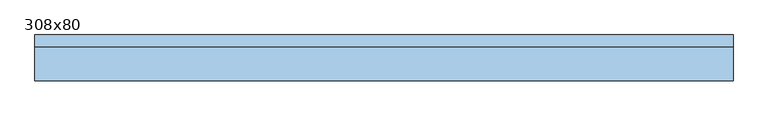
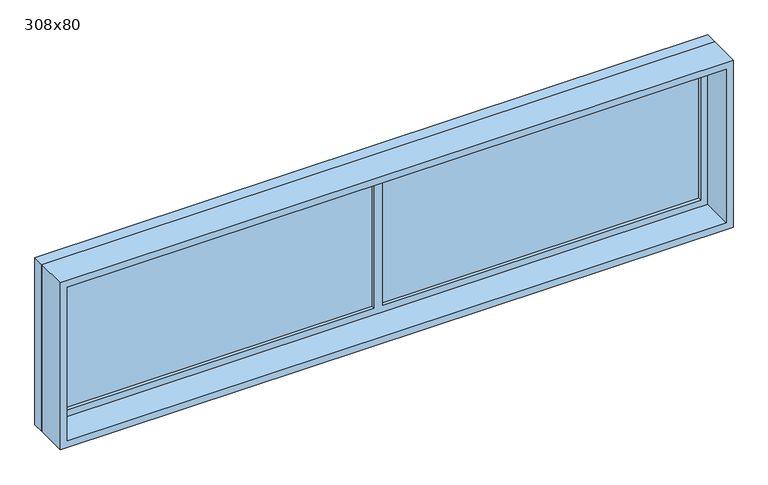
"""IFC4 building model written with IfcOpenShell, lengths in millimetres: window geometry, 308x80."""

from ifc_helpers import new_model, si_unit, frame, origin, place, context, project, spatial, polyline, outline, extrude, faceted_brep, source, transform, mapped, element, save


def window_308x80_d0d04b63(model_context):
    return source(origin(), model_context, "Body", "SolidModel", [
        extrude(outline(polyline([(1423.4, 61.425), (-1499.6, 61.425), (-1499.6, 74.125), (1423.4, 74.125), (1423.4, 61.425)])), frame((0.0, 0.0, 977.9), z_axis=(0.0, 0.0, 1.0), x_axis=(1.0, 0.0, 0.0)), (0.0, 0.0, 1.0), 677.45),
        extrude(outline(polyline([(1714.4, -1563.1), (914.4, -1563.1), (914.4, 1486.9), (1714.4, 1486.9), (1714.4, -1563.1)]), holes=[polyline([(1682.65, -1531.35), (1682.65, 1455.15), (946.15, 1455.15), (946.15, -1531.35), (1682.65, -1531.35)])]), frame((0.0, -100.0, 0.0), z_axis=(0.0, 1.0, 0.0), x_axis=(0.0, 0.0, 1.0)), (0.0, 0.0, 1.0), 145.55),
        faceted_brep([(1467.85, 90.0, 1695.35), (1467.85, 90.0, 933.45), (-1544.05, 90.0, 933.45), (-1544.05, 90.0, 1695.35), (-58.1, 90.0, 1695.35), (-18.1, 90.0, 1695.35), (-1499.6, 90.0, 1655.35), (-1499.6, 90.0, 977.9), (-58.1, 90.0, 977.9), (-58.1, 90.0, 1655.35), (1423.4, 90.0, 977.9), (1423.4, 90.0, 1655.35), (-18.1, 90.0, 1655.35), (-18.1, 90.0, 977.9), (-1499.6, 45.55, 1655.35), (-1499.6, 45.55, 977.9), (-58.1, 45.55, 977.9), (1423.4, 45.55, 977.9), (-18.1, 45.55, 977.9), (-58.1, 45.55, 1655.35), (1423.4, 45.55, 1655.35), (-18.1, 45.55, 1655.35), (1467.85, 100.0, 1695.35), (1467.85, 100.0, 933.45), (-1544.05, 100.0, 933.45), (-1544.05, 100.0, 1695.35), (1486.9, 45.55, 1714.4), (-1563.1, 45.55, 1714.4), (-1563.1, 45.55, 914.4), (1486.9, 45.55, 914.4), (-1563.1, 100.0, 1714.4), (-1563.1, 100.0, 914.4), (1486.9, 100.0, 914.4), (1486.9, 100.0, 1714.4)], [[[0, 1, 2, 3, 4, 5], [6, 7, 8, 9], [10, 11, 12, 13]], [[7, 6, 14, 15]], [[7, 15, 16, 8]], [[17, 10, 13, 18]], [[9, 8, 16, 19]], [[11, 10, 17, 20]], [[21, 18, 13, 12]], [[22, 23, 1, 0]], [[23, 24, 2, 1]], [[24, 25, 3, 2]], [[26, 27, 28, 29], [15, 14, 19, 16], [20, 17, 18, 21]], [[28, 27, 30, 31]], [[29, 28, 31, 32]], [[26, 29, 32, 33]], [[33, 32, 31, 30], [22, 25, 24, 23]], [[26, 33, 30, 27]], [[14, 6, 9, 19]], [[11, 20, 21, 12]], [[25, 22, 0, 5, 4, 3]]]),
    ])


if __name__ == "__main__":
    model = new_model("IFC4")
    model_context = context("Model", 3, world=origin())
    ifc_project = project(units=[si_unit("LENGTHUNIT", "METRE", prefix="MILLI")], contexts=[model_context])
    site = spatial("IfcSite", under=ifc_project)
    building = spatial("IfcBuilding", under=site)
    placement = place(None, origin())
    window_308x80_shape = window_308x80_d0d04b63(model_context)
    element("IfcWindow", 1, ObjectType="308x80", at=placement, inside=building, context=model_context, shape_type="MappedRepresentation", body=[
        mapped(window_308x80_shape, transform((0.0, 0.0, 0.0), x_axis=(1.0, 0.0, 0.0), y_axis=(0.0, 1.0, 0.0), z_axis=(0.0, 0.0, 1.0))),
    ])
    save(model, "model.ifc")
